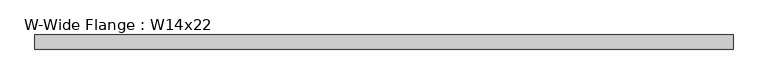
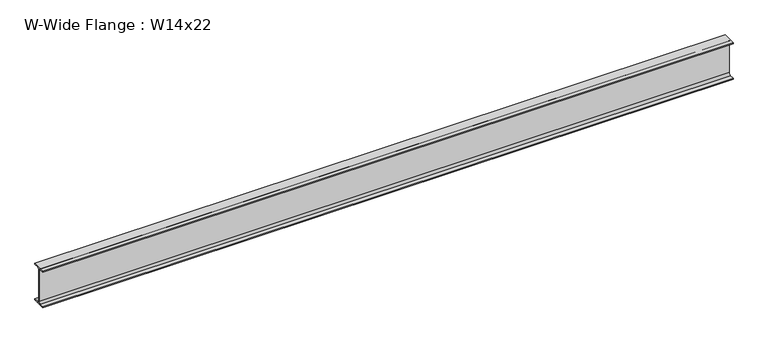
"""IFC4 building model written with IfcOpenShell, lengths in millimetres: beam geometry, W-Wide Flange : W14x22."""

from ifc_helpers import new_model, si_unit, point, frame, frame_2d, origin, place, context, project, spatial, polyline, circle_curve, trimmed, segment, composite_curve, outline, extrude, source, transform, mapped, element, save


def w_wide_flange_w14x22_57f1adf7(model_context):
    return source(origin(), model_context, "Body", "SweptSolid", [
        extrude(outline(composite_curve([segment(polyline([(63.5, -165.481), (63.5, -173.99), (-63.5, -173.99), (-63.5, -165.481), (-21.3995, -165.481)]), True, "CONTINUOUS"), segment(trimmed(circle_curve(frame_2d((-21.3995, -147.0025)), 18.4785), [point((-21.3995, -165.481))], [point((-2.921, -147.0025))], True, "CARTESIAN"), True, "CONTINUOUS"), segment(polyline([(-2.921, -147.0025), (-2.921, 147.0025)]), True, "CONTINUOUS"), segment(trimmed(circle_curve(frame_2d((-21.3995, 147.0025)), 18.4785), [point((-2.921, 147.0025))], [point((-21.3995, 165.481))], True, "CARTESIAN"), True, "CONTINUOUS"), segment(polyline([(-21.3995, 165.481), (-63.5, 165.481), (-63.5, 173.99), (63.5, 173.99), (63.5, 165.481), (21.3995, 165.481)]), True, "CONTINUOUS"), segment(trimmed(circle_curve(frame_2d((21.3995, 147.0025)), 18.4785), [point((21.3995, 165.481))], [point((2.921, 147.0025))], True, "CARTESIAN"), True, "CONTINUOUS"), segment(polyline([(2.921, 147.0025), (2.921, -147.0025)]), True, "CONTINUOUS"), segment(trimmed(circle_curve(frame_2d((21.3995, -147.0025)), 18.4785), [point((2.921, -147.0025))], [point((21.3995, -165.481))], True, "CARTESIAN"), True, "CONTINUOUS"), segment(polyline([(21.3995, -165.481), (63.5, -165.481)]), True, "CONTINUOUS")], self_intersect=False)), frame((-3138.17, 0.0, 0.0), z_axis=(1.0, 0.0, 0.0), x_axis=(0.0, 1.0, 0.0)), (0.0, 0.0, 1.0), 6276.34),
    ])


if __name__ == "__main__":
    model = new_model("IFC4")
    model_context = context("Model", 3, world=origin())
    ifc_project = project(units=[si_unit("LENGTHUNIT", "METRE", prefix="MILLI")], contexts=[model_context])
    site = spatial("IfcSite", under=ifc_project)
    building = spatial("IfcBuilding", under=site)
    placement = place(None, origin())
    w_wide_flange_w14x22_shape = w_wide_flange_w14x22_57f1adf7(model_context)
    element("IfcBeam", 1, ObjectType="W-Wide Flange : W14x22", at=placement, inside=building, context=model_context, shape_type="MappedRepresentation", body=[
        mapped(w_wide_flange_w14x22_shape, transform((0.0, 0.0, 0.0), x_axis=(1.0, 0.0, 0.0), y_axis=(0.0, 1.0, 0.0), z_axis=(0.0, 0.0, 1.0))),
    ])
    save(model, "model.ifc")
